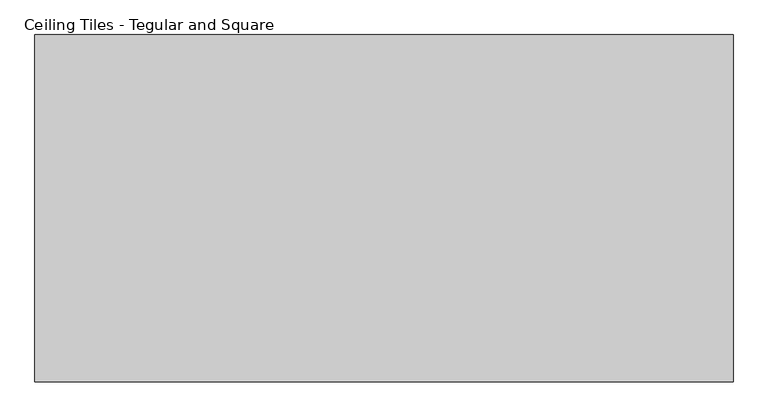
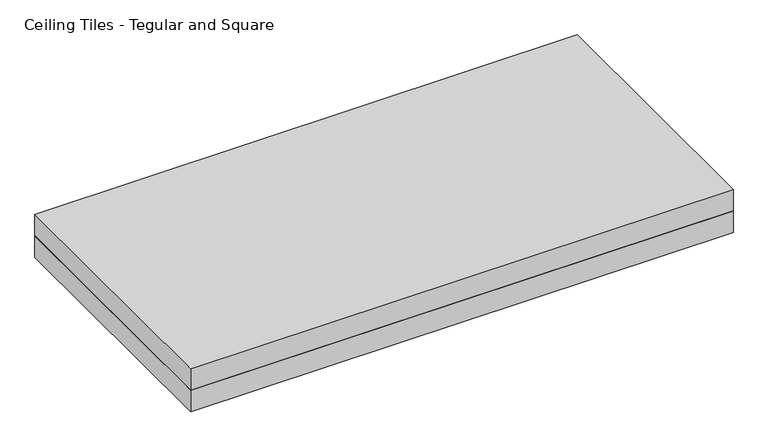
"""IFC4 building model written with IfcOpenShell, lengths in millimetres: proxy geometry, Ceiling Tiles - Tegular and Square."""

from ifc_helpers import new_model, si_unit, frame, origin, origin_with_axes, place, context, project, spatial, polyline, outline, extrude, source, transform, mapped, element, save


def ceiling_tiles_tegular_and_square_714cc433(model_context):
    return source(origin(), model_context, "Body", "SweptSolid", [
        extrude(outline(polyline([(606.425, 301.625), (606.425, -301.625), (-606.425, -301.625), (-606.425, 301.625), (606.425, 301.625)])), origin_with_axes(), (0.0, 0.0, 1.0), 50.8),
        extrude(outline(polyline([(-606.425, 301.625), (606.425, 301.625), (606.425, -301.625), (-606.425, -301.625), (-606.425, 301.625)])), frame((0.0, 0.0, 50.8), z_axis=(0.0, 0.0, 1.0), x_axis=(1.0, 0.0, 0.0)), (0.0, 0.0, 1.0), 50.8),
    ])


if __name__ == "__main__":
    model = new_model("IFC4")
    model_context = context("Model", 3, world=origin())
    ifc_project = project(units=[si_unit("LENGTHUNIT", "METRE", prefix="MILLI")], contexts=[model_context])
    site = spatial("IfcSite", under=ifc_project)
    building = spatial("IfcBuilding", under=site)
    placement = place(None, origin())
    ceiling_tiles_tegular_and_square_shape = ceiling_tiles_tegular_and_square_714cc433(model_context)
    element("IfcBuildingElementProxy", 1, Name="Ceiling Tiles - Tegular and Square", ObjectType="Ceiling Tiles - Tegular and Square", at=placement, inside=building, context=model_context, shape_type="MappedRepresentation", body=[
        mapped(ceiling_tiles_tegular_and_square_shape, transform((0.0, 0.0, 0.0), x_axis=(1.0, 0.0, 0.0), y_axis=(0.0, 1.0, 0.0), z_axis=(0.0, 0.0, 1.0))),
    ])
    save(model, "model.ifc")
